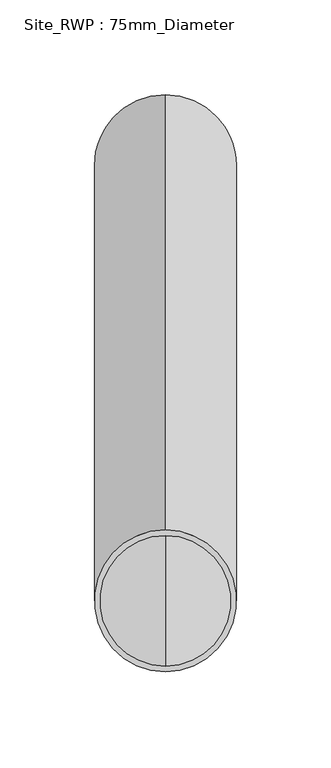
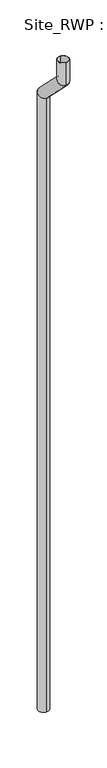
"""IFC4 building model written with IfcOpenShell, lengths in millimetres: geographic element geometry, Site_RWP : 75mm_Diameter."""

from ifc_helpers import new_model, si_unit, frame, origin, place, context, project, spatial, polyline, circle_curve, ellipse_curve, source, transform, mapped, element, save
from ifc_brep_helpers import plane_surface, cylinder_surface, revolved_surface, advanced_brep


def site_rwp_75mm_diameter_a196d061(model_context):
    return source(origin(), model_context, "Body", "AdvancedBrep", [
        advanced_brep(
        [(0.0, -37.5, 0.0), (0.0, 37.5, 0.0), (0.0, -34.5, 0.0), (0.0, 34.5, 0.0), (0.0, 37.5, 4435.5330086), (0.0, -37.5, 4404.4669914), (0.0, 34.5, 4434.2903679), (0.0, -34.5, 4405.7096321), (0.0, -192.5, 4665.5330086), (0.0, -267.5, 4634.4669914), (0.0, -195.5, 4664.2903679), (0.0, -264.5, 4635.7096321), (0.0, -267.5, 4800.0), (0.0, -192.5, 4800.0), (0.0, -264.5, 4800.0), (0.0, -195.5, 4800.0)],
        [
            (0, 1, circle_curve(frame((0.0, 0.0, 0.0), z_axis=(0.0, 0.0, -1.0), x_axis=(0.0, 1.0, 0.0)), 37.5)),
            (1, 0, circle_curve(frame((0.0, 0.0, 0.0), z_axis=(0.0, 0.0, -1.0), x_axis=(0.0, 1.0, 0.0)), 37.5)),
            (2, 3, circle_curve(frame((0.0, 0.0, 0.0), z_axis=(0.0, 0.0, 1.0), x_axis=(0.0, 1.0, 0.0)), 34.5)),
            (3, 2, circle_curve(frame((0.0, 0.0, 0.0), z_axis=(0.0, 0.0, 1.0), x_axis=(0.0, 1.0, 0.0)), 34.5)),
            (1, 4),
            (4, 5, ellipse_curve(frame((0.0, 0.0, 4420.0), z_axis=(0.0, 0.38268343236509217, -0.9238795325112857), x_axis=(0.0, -0.9238795325112857, -0.3826834323650924)), 40.5897075, 37.5)),
            (5, 0),
            (5, 4, ellipse_curve(frame((0.0, 0.0, 4420.0), z_axis=(0.0, 0.38268343236509217, -0.9238795325112857), x_axis=(0.0, -0.9238795325112857, -0.3826834323650924)), 40.5897075, 37.5)),
            (3, 6),
            (6, 7, ellipse_curve(frame((0.0, 0.0, 4420.0), z_axis=(0.0, -0.38268343236509217, 0.9238795325112857), x_axis=(0.0, 0.9238795325112857, 0.3826834323650924)), 37.3425309, 34.5)),
            (7, 2),
            (7, 6, ellipse_curve(frame((0.0, 0.0, 4420.0), z_axis=(0.0, -0.38268343236509217, 0.9238795325112857), x_axis=(0.0, 0.9238795325112857, 0.3826834323650924)), 37.3425309, 34.5)),
            (4, 8),
            (8, 9, ellipse_curve(frame((0.0, -230.0, 4650.0), z_axis=(0.0, 0.3826834323650923, -0.9238795325112857), x_axis=(0.0, 0.9238795325112859, 0.3826834323650922)), 40.5897075, 37.5)),
            (9, 5),
            (9, 8, ellipse_curve(frame((0.0, -230.0, 4650.0), z_axis=(0.0, 0.3826834323650923, -0.9238795325112857), x_axis=(0.0, 0.9238795325112859, 0.3826834323650922)), 40.5897075, 37.5)),
            (6, 10),
            (10, 11, ellipse_curve(frame((0.0, -230.0, 4650.0), z_axis=(0.0, -0.3826834323650923, 0.9238795325112857), x_axis=(0.0, -0.9238795325112859, -0.3826834323650922)), 37.3425309, 34.5)),
            (11, 7),
            (11, 10, ellipse_curve(frame((0.0, -230.0, 4650.0), z_axis=(0.0, -0.3826834323650923, 0.9238795325112857), x_axis=(0.0, -0.9238795325112859, -0.3826834323650922)), 37.3425309, 34.5)),
            (12, 13, circle_curve(frame((0.0, -230.0, 4800.0), z_axis=(0.0, 0.0, 1.0), x_axis=(0.0, 1.0, 0.0)), 37.5)),
            (13, 12, circle_curve(frame((0.0, -230.0, 4800.0), z_axis=(0.0, 0.0, 1.0), x_axis=(0.0, 1.0, 0.0)), 37.5)),
            (14, 15, circle_curve(frame((0.0, -230.0, 4800.0), z_axis=(0.0, 0.0, -1.0), x_axis=(0.0, 1.0, 0.0)), 34.5)),
            (15, 14, circle_curve(frame((0.0, -230.0, 4800.0), z_axis=(0.0, 0.0, -1.0), x_axis=(0.0, 1.0, 0.0)), 34.5)),
            (8, 13),
            (12, 9),
            (10, 15),
            (14, 11),
        ],
        [
            plane_surface(frame((0.0, 0.0, 0.0), z_axis=(0.0, 0.0, -1.0), x_axis=(1.0, 0.0, 0.0))),
            cylinder_surface(frame((0.0, 0.0, 0.0), z_axis=(0.0, 0.0, -1.0), x_axis=(0.0, 1.0, 0.0)), 37.5),
            revolved_surface(polyline([(0.0, 34.5, 4434.2903679), (0.0, 34.5, 0.0)]), (0.0, 0.0, 0.0), (0.0, 0.0, 1.0)),
            cylinder_surface(frame((0.0, 0.0, 4420.0), z_axis=(0.0, 0.7071067811865512, -0.7071067811865439), x_axis=(0.0, 0.7071067811865439, 0.7071067811865512)), 37.5),
            revolved_surface(polyline([(0.0, -215.70963209906557, 4684.500000000935), (0.0, 34.5000000009359, 4434.290367900936)]), (0.0, 0.0, 4420.0), (0.0, -0.7071067811865512, 0.7071067811865439)),
            plane_surface(frame((0.0, -230.0, 4800.0), z_axis=(0.0, 0.0, 1.0), x_axis=(1.0, 0.0, 0.0))),
            cylinder_surface(frame((0.0, -230.0, 4650.0), z_axis=(0.0, 0.0, -1.0), x_axis=(0.0, 1.0, 0.0)), 37.5),
            revolved_surface(polyline([(0.0, -195.5, 4800.0), (0.0, -195.5, 4635.7096321)]), (0.0, -230.0, 4650.0), (0.0, 0.0, 1.0)),
        ],
        [
            (0, [[1, 2], [3, 4]]),
            (1, [[5, 6, 7, -2]]),
            (1, [[-7, 8, -5, -1]]),
            (2, [[9, 10, 11, -4]]),
            (2, [[-11, 12, -9, -3]]),
            (3, [[13, 14, 15, -6]]),
            (3, [[-15, 16, -13, -8]]),
            (4, [[17, 18, 19, -10]]),
            (4, [[-19, 20, -17, -12]]),
            (5, [[21, 22], [23, 24]]),
            (6, [[25, -21, 26, -14]]),
            (6, [[-26, -22, -25, -16]]),
            (7, [[27, -23, 28, -18]]),
            (7, [[-28, -24, -27, -20]]),
        ],
    ),
    ])


if __name__ == "__main__":
    model = new_model("IFC4")
    model_context = context("Model", 3, world=origin())
    ifc_project = project(units=[si_unit("LENGTHUNIT", "METRE", prefix="MILLI")], contexts=[model_context])
    site = spatial("IfcSite", under=ifc_project)
    building = spatial("IfcBuilding", under=site)
    placement = place(None, origin())
    site_rwp_75mm_diameter_shape = site_rwp_75mm_diameter_a196d061(model_context)
    element("IfcGeographicElement", 1, ObjectType="Site_RWP : 75mm_Diameter", at=placement, inside=building, context=model_context, shape_type="MappedRepresentation", body=[
        mapped(site_rwp_75mm_diameter_shape, transform((0.0, 0.0, 0.0), x_axis=(1.0, 0.0, 0.0), y_axis=(0.0, 1.0, 0.0), z_axis=(0.0, 0.0, 1.0))),
    ])
    save(model, "model.ifc")
